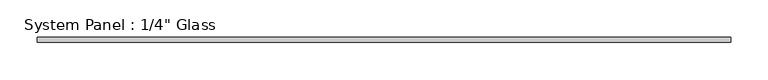
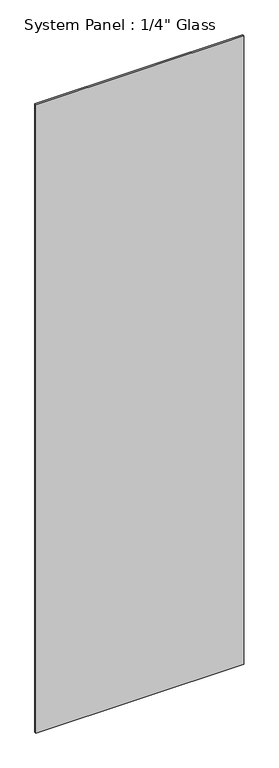
"""IFC4 building model written with IfcOpenShell, lengths in millimetres: plate geometry."""

from ifc_helpers import new_model, si_unit, frame, origin, place, context, project, spatial, polyline, outline, extrude, source, transform, mapped, element, save


def plate_ff1d388e(model_context):
    return source(origin(), model_context, "Body", "SweptSolid", [
        extrude(outline(polyline([(0.0, -463.1158815), (0.0, 463.1158815), (584.2, 463.1158815), (1536.7, 463.1158815), (2959.1, 463.1158815), (2959.1, -463.1158815), (1536.7, -463.1158815), (584.2, -463.1158815), (0.0, -463.1158815)])), frame((0.0, -3.175, 0.0), z_axis=(0.0, 1.0, 0.0), x_axis=(0.0, 0.0, 1.0)), (0.0, 0.0, 1.0), 6.35),
    ])


if __name__ == "__main__":
    model = new_model("IFC4")
    model_context = context("Model", 3, world=origin())
    ifc_project = project(units=[si_unit("LENGTHUNIT", "METRE", prefix="MILLI")], contexts=[model_context])
    site = spatial("IfcSite", under=ifc_project)
    building = spatial("IfcBuilding", under=site)
    placement = place(None, origin())
    plate_shape = plate_ff1d388e(model_context)
    element("IfcPlate", 1, ObjectType="System Panel : 1/4\" Glass", at=placement, inside=building, context=model_context, shape_type="MappedRepresentation", body=[
        mapped(plate_shape, transform((0.0, 0.0, 0.0), x_axis=(1.0, 0.0, 0.0), y_axis=(0.0, 1.0, 0.0), z_axis=(0.0, 0.0, 1.0))),
    ])
    save(model, "model.ifc")
